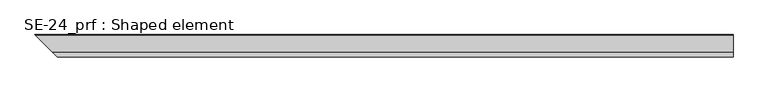
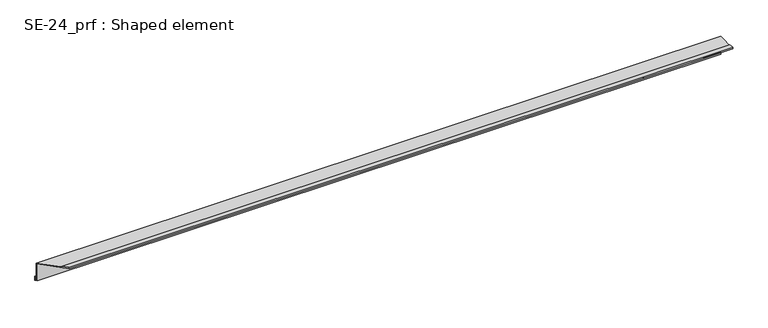
"""IFC4 building model written with IfcOpenShell, lengths in millimetres: proxy geometry, SE-24_prf : Shaped element."""

from ifc_helpers import new_model, si_unit, origin, place, context, project, spatial, faceted_brep, source, transform, mapped, element, save


def se_24_prf_shaped_element_9754076d(model_context):
    return source(origin(), model_context, "Body", "Brep", [
        faceted_brep([(2.0, -2.0, -45.0), (1510.0, -2.0, -45.0), (1510.0, -5.0, -45.0), (5.0, -5.0, -45.0), (2.0, -2.0, -35.0), (1510.0, -2.0, -35.0), (3.0, -3.0, -35.0), (1510.0, -3.0, -35.0), (3.0, -3.0, -44.0), (1510.0, -3.0, -44.0), (4.0, -4.0, -44.0), (1510.0, -4.0, -44.0), (4.0, -4.0, -4.0), (1510.0, -4.0, -4.0), (49.0, -49.0, -4.0), (1510.0, -49.0, -4.0), (49.0, -49.0, -3.0), (1510.0, -49.0, -3.0), (40.0, -40.0, -3.0), (1510.0, -40.0, -3.0), (40.0, -40.0, -2.0), (1510.0, -40.0, -2.0), (50.0, -50.0, -2.0), (1510.0, -50.0, -2.0), (50.0, -50.0, -5.0), (1510.0, -50.0, -5.0), (5.0, -5.0, -5.0), (1510.0, -5.0, -5.0)], [[[0, 1, 2, 3]], [[4, 5, 1, 0]], [[6, 7, 5, 4]], [[8, 9, 7, 6]], [[10, 11, 9, 8]], [[12, 13, 11, 10]], [[14, 15, 13, 12]], [[16, 17, 15, 14]], [[18, 19, 17, 16]], [[20, 21, 19, 18]], [[22, 23, 21, 20]], [[24, 25, 23, 22]], [[26, 27, 25, 24]], [[3, 2, 27, 26]], [[3, 26, 24, 22, 20, 18, 16, 14, 12, 10, 8, 6, 4, 0]], [[1, 5, 7, 9, 11, 13, 15, 17, 19, 21, 23, 25, 27, 2]]]),
    ])


if __name__ == "__main__":
    model = new_model("IFC4")
    model_context = context("Model", 3, world=origin())
    ifc_project = project(units=[si_unit("LENGTHUNIT", "METRE", prefix="MILLI")], contexts=[model_context])
    site = spatial("IfcSite", under=ifc_project)
    building = spatial("IfcBuilding", under=site)
    placement = place(None, origin())
    se_24_prf_shaped_element_shape = se_24_prf_shaped_element_9754076d(model_context)
    element("IfcBuildingElementProxy", 1, Name="SE-24_prf : Shaped element", ObjectType="SE-24_prf : Shaped element", at=placement, inside=building, context=model_context, shape_type="MappedRepresentation", body=[
        mapped(se_24_prf_shaped_element_shape, transform((0.0, 0.0, 0.0), x_axis=(1.0, 0.0, 0.0), y_axis=(0.0, 1.0, 0.0), z_axis=(0.0, 0.0, 1.0))),
    ])
    save(model, "model.ifc")
